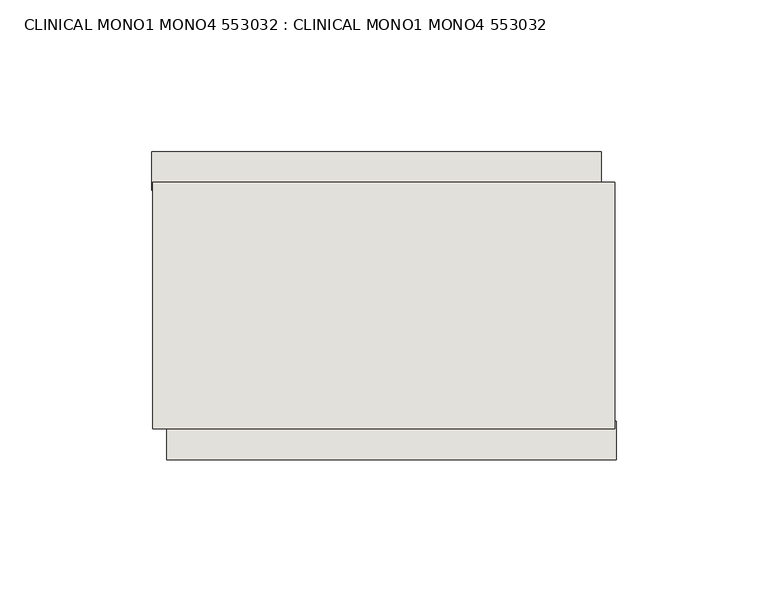
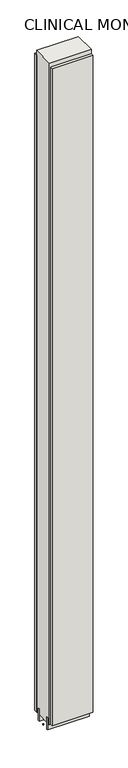
"""IFC4 building model written with IfcOpenShell, lengths in millimetres: wall geometry, CLINICAL MONO1 MONO4 553032 : CLINICAL MONO1 MONO4 553032."""

from ifc_helpers import new_model, si_unit, frame, origin, place, context, project, spatial, polyline, outline, extrude, source, transform, mapped, element, save


def clinical_mono1_mono4_553032_clinical_mono1_mono4_553032_6c340631(model_context):
    return source(origin(), model_context, "Body", "SweptSolid", [
        extrude(outline(polyline([(45655.9530618, -39610.7995692), (45653.4130618, -39610.7995692), (45653.4130618, -39608.2595692), (45655.9530618, -39608.2595692), (45655.9530618, -39610.7995692)])), frame((0.0, 0.0, 4419.6), z_axis=(0.0, 0.0, 1.0), x_axis=(1.0, 0.0, 0.0)), (0.0, 0.0, 1.0), 2.54),
        extrude(outline(polyline([(45652.9468473, -39558.7295692), (45801.3468503, -39558.7295692), (45801.3468503, -39571.4295692), (45652.9468473, -39571.4295692), (45652.9468473, -39558.7295692)])), frame((0.0, 0.0, 4445.0), z_axis=(0.0, 0.0, 1.0), x_axis=(1.0, 0.0, 0.0)), (0.0, 0.0, 1.0), 2545.0498756),
        extrude(outline(polyline([(45806.2767871, -39660.3295692), (45657.8767841, -39660.3295692), (45657.8767841, -39647.6295692), (45806.2767871, -39647.6295692), (45806.2767871, -39660.3295692)])), frame((0.0, 0.0, 4445.0), z_axis=(0.0, 0.0, 1.0), x_axis=(1.0, 0.0, 0.0)), (0.0, 0.0, 1.0), 2545.0498756),
        extrude(outline(polyline([(45805.8025208, -39584.4520222), (45653.4025208, -39584.4520222), (45653.4025208, -39579.3732668), (45805.8025208, -39579.3732668), (45805.8025208, -39584.4520222)])), frame((0.0, 0.0, 4418.6602), z_axis=(0.0, 0.0, 1.0), x_axis=(1.0, 0.0, 0.0)), (0.0, 0.0, 1.0), 47.625),
        extrude(outline(polyline([(45805.8025208, -39584.4520222), (45653.4025208, -39584.4520222), (45653.4025208, -39579.3732668), (45805.8025208, -39579.3732668), (45805.8025208, -39584.4520222)])), frame((0.0, 0.0, 4418.6602), z_axis=(0.0, 0.0, 1.0), x_axis=(1.0, 0.0, 0.0)), (0.0, 0.0, 1.0), 47.625),
        extrude(outline(polyline([(45653.4025208, -39634.6164126), (45805.8025208, -39634.6164126), (45805.8025208, -39639.6982668), (45653.4025208, -39639.6982668), (45653.4025208, -39634.6164126)])), frame((0.0, 0.0, 4418.6602), z_axis=(0.0, 0.0, 1.0), x_axis=(1.0, 0.0, 0.0)), (0.0, 0.0, 1.0), 47.625),
        extrude(outline(polyline([(45653.4025208, -39634.6164126), (45805.8025208, -39634.6164126), (45805.8025208, -39639.6982668), (45653.4025208, -39639.6982668), (45653.4025208, -39634.6164126)])), frame((0.0, 0.0, 4418.6602), z_axis=(0.0, 0.0, 1.0), x_axis=(1.0, 0.0, 0.0)), (0.0, 0.0, 1.0), 47.625),
        extrude(outline(polyline([(45805.8025208, -39568.8808824), (45805.8025208, -39650.1627366), (45653.4025208, -39650.1627366), (45653.4025208, -39568.8808824), (45805.8025208, -39568.8808824)])), frame((0.0, 0.0, 4445.0), z_axis=(0.0, 0.0, 1.0), x_axis=(1.0, 0.0, 0.0)), (0.0, 0.0, 1.0), 2562.4536762),
    ])


if __name__ == "__main__":
    model = new_model("IFC4")
    model_context = context("Model", 3, world=origin())
    ifc_project = project(units=[si_unit("LENGTHUNIT", "METRE", prefix="MILLI")], contexts=[model_context])
    site = spatial("IfcSite", under=ifc_project)
    building = spatial("IfcBuilding", under=site)
    placement = place(None, origin())
    clinical_mono1_mono4_553032_clinical_mono1_mono4_553032_shape = clinical_mono1_mono4_553032_clinical_mono1_mono4_553032_6c340631(model_context)
    element("IfcWall", 1, ObjectType="CLINICAL MONO1 MONO4 553032 : CLINICAL MONO1 MONO4 553032", at=placement, inside=building, context=model_context, shape_type="MappedRepresentation", body=[
        mapped(clinical_mono1_mono4_553032_clinical_mono1_mono4_553032_shape, transform((0.0, 0.0, 0.0), x_axis=(1.0, 0.0, 0.0), y_axis=(0.0, 1.0, 0.0), z_axis=(0.0, 0.0, 1.0))),
    ])
    save(model, "model.ifc")
